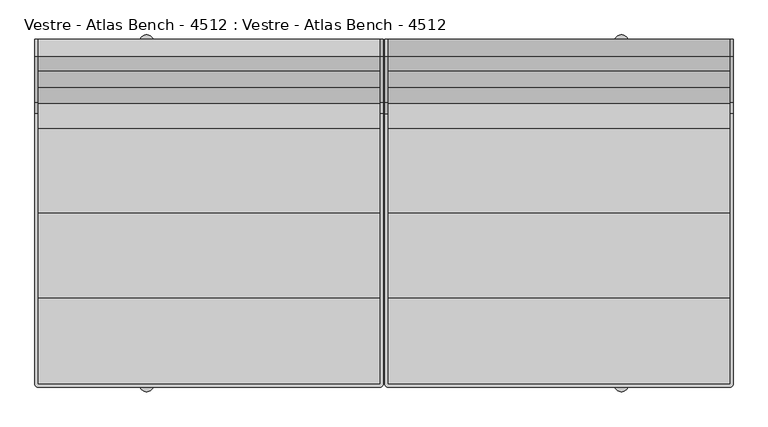
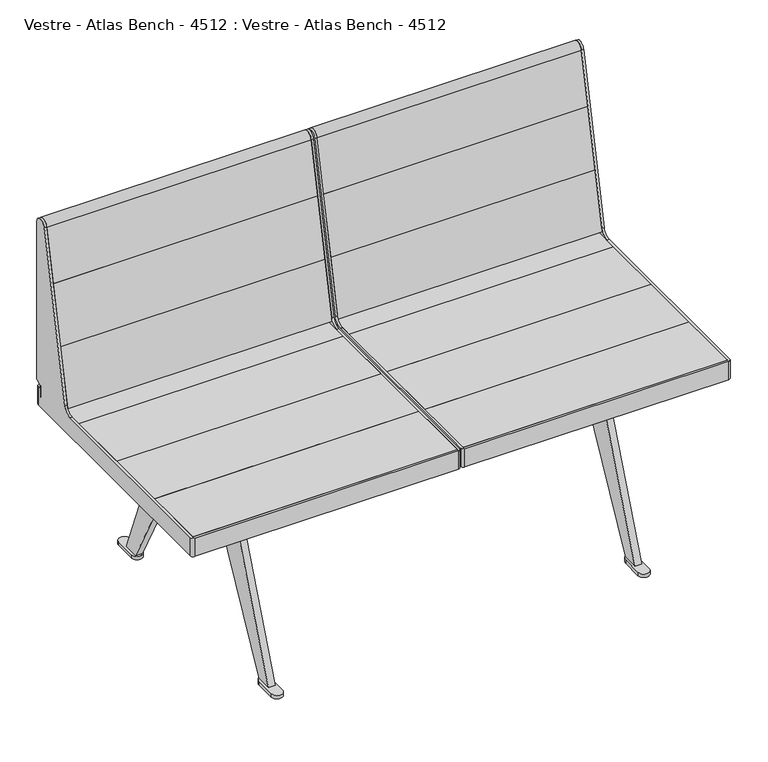
"""IFC4 building model written with IfcOpenShell, lengths in millimetres: furniture geometry, Vestre - Atlas Bench - 4512 : Vestre - Atlas Bench - 4512."""

from ifc_helpers import new_model, si_unit, point, frame, frame_2d, origin, origin_with_axes, place, context, project, spatial, polyline, circle_curve, trimmed, segment, composite_curve, outline, extrude, faceted_brep, source, transform, mapped, element, save
from ifc_brep_helpers import plane_surface, cylinder_surface, revolved_surface, advanced_brep


def vestre_atlas_bench_4512_vestre_atlas_bench_4512_23488d56(model_context):
    return source(origin(), model_context, "Body", "SolidModel", [
        advanced_brep(
        [(6.4996033, 300.0000023, 454.2874442), (6.4996033, 300.0000023, 823.6998603), (6.4996033, 270.3277883, 826.8185356), (6.4996033, 191.1979651, 454.541987), (6.4996033, 171.6350131, 438.7002208), (6.4996033, -294.0016577, 438.7002208), (6.4996033, -294.0016577, 395.7002292), (6.4996033, 294.0104801, 395.7002292), (6.4996033, 294.0104801, 438.7002208), (6.4996033, 289.8860908, 438.7002208), (6.4996033, 287.8917461, 446.1432162), (6.4996033, 299.001022, 452.5571596), (1.4999084, 300.0000023, 454.2874442), (1.4999084, 299.001022, 452.5571596), (1.4999084, 287.8917461, 446.1432162), (1.4999084, 289.8860908, 438.7002208), (1.4999084, 294.0000778, 438.7002208), (1.4999084, 294.000075, 395.7002292), (1.4999084, -294.000075, 395.7002292), (1.4999084, -294.000075, 438.7002208), (1.4999084, 171.6350131, 438.7002208), (1.4999084, 191.1979651, 454.541987), (1.4999084, 270.3277883, 826.8185356), (1.4999084, 300.0000023, 823.6998603), (7.4890673, 294.9999441, 438.7002208), (595.5088661, 294.9999441, 438.7002208), (596.4996368, 294.0091733, 438.7002208), (596.4996368, 289.8860908, 438.7002208), (601.4993317, 289.8860908, 438.7002208), (601.4993317, 294.000075, 438.7002208), (595.4993317, 300.000075, 438.7002208), (7.4999084, 300.000075, 438.7002208), (7.4999084, -300.000075, 438.7002208), (595.5361966, -300.000075, 438.7002208), (601.4993317, -294.0369399, 438.7002208), (601.4993317, 171.6350131, 438.7002208), (596.4996368, 171.6350131, 438.7002208), (596.4996368, -294.035874, 438.7002208), (595.5354213, -295.0000895, 438.7002208), (7.498035, -295.0000895, 438.7002208), (601.4993317, -294.0369399, 395.7002292), (595.5361966, -300.000075, 395.7002292), (7.4999084, -300.000075, 395.7002292), (7.4999084, 300.000075, 395.7002292), (595.4993317, 300.000075, 395.7002292), (601.4993317, 294.000075, 395.7002292), (596.4996368, -294.035874, 395.7002292), (596.4996368, 294.0091733, 395.7002292), (595.5088661, 294.9999441, 395.7002292), (7.4890673, 294.9999441, 395.7002292), (7.498035, -295.0000895, 395.7002292), (595.5354213, -295.0000895, 395.7002292), (596.4996368, 191.1979651, 454.541987), (596.4996368, 270.3277883, 826.8185356), (596.4996368, 300.0000023, 823.6998603), (596.4996368, 300.0000023, 454.2874442), (596.4996368, 299.001022, 452.5571596), (596.4996368, 287.8917461, 446.1432162), (601.4993317, 287.8917461, 446.1432162), (601.4993317, 299.001022, 452.5571596), (601.4993317, 300.0000023, 454.2874442), (601.4993317, 300.0000023, 823.6998603), (601.4993317, 270.3277883, 826.8185356), (601.4993317, 191.1979651, 454.541987)],
        [
            (0, 1),
            (1, 2, circle_curve(frame((6.4996033, 285.0000023, 823.6998603), z_axis=(1.0, 0.0, 0.0), x_axis=(0.0, -1.0, 0.0)), 15.0)),
            (2, 3),
            (3, 4, circle_curve(frame((6.4996033, 171.6350131, 458.7002208), z_axis=(-1.0, 0.0, 0.0), x_axis=(0.0, -1.0, 0.0)), 20.0)),
            (4, 5),
            (5, 6),
            (6, 7),
            (7, 8),
            (8, 9),
            (9, 10, circle_curve(frame((6.4996033, 289.8860908, 442.68891), z_axis=(-1.0, 0.0, 0.0), x_axis=(0.0, -1.0, 0.0)), 3.9886892)),
            (10, 11),
            (11, 0, circle_curve(frame((6.4996033, 298.0020417, 454.2874442), z_axis=(1.0, 0.0, 0.0), x_axis=(0.0, -1.0, 0.0)), 1.9979606)),
            (12, 13, circle_curve(frame((1.4999084, 298.0020417, 454.2874442), z_axis=(-1.0, 0.0, 0.0), x_axis=(0.0, -1.0, 0.0)), 1.9979606)),
            (13, 14),
            (14, 15, circle_curve(frame((1.4999084, 289.8860908, 442.68891), z_axis=(1.0, 0.0, 0.0), x_axis=(0.0, -1.0, 0.0)), 3.9886892)),
            (15, 16),
            (16, 17),
            (17, 18),
            (18, 19),
            (19, 20),
            (20, 21, circle_curve(frame((1.4999084, 171.6350131, 458.7002208), z_axis=(1.0, 0.0, 0.0), x_axis=(0.0, -1.0, 0.0)), 20.0)),
            (21, 22),
            (22, 23, circle_curve(frame((1.4999084, 285.0000023, 823.6998603), z_axis=(-1.0, 0.0, 0.0), x_axis=(0.0, -1.0, 0.0)), 15.0)),
            (23, 12),
            (0, 12),
            (23, 1),
            (22, 2),
            (21, 3),
            (20, 4),
            (8, 24, circle_curve(frame((7.4890673, 294.0104801, 438.7002208), z_axis=(0.0, 0.0, -1.0), x_axis=(-1.0, 0.0, 0.0)), 0.989464)),
            (24, 25),
            (25, 26, circle_curve(frame((595.5088661, 294.0091733, 438.7002208), z_axis=(0.0, 0.0, -1.0), x_axis=(-1.0, 0.0, 0.0)), 0.9907708)),
            (26, 27),
            (27, 28),
            (28, 29),
            (29, 30, circle_curve(frame((595.4993317, 294.000075, 438.7002208), z_axis=(0.0, 0.0, 1.0), x_axis=(-1.0, 0.0, 0.0)), 6.0)),
            (30, 31),
            (31, 16, circle_curve(frame((7.4999084, 294.000075, 438.7002208), z_axis=(0.0, 0.0, 1.0), x_axis=(-1.0, 0.0, 0.0)), 6.0)),
            (15, 9),
            (19, 32, circle_curve(frame((7.4999084, -294.000075, 438.7002208), z_axis=(0.0, 0.0, 1.0), x_axis=(-1.0, 0.0, 0.0)), 6.0)),
            (32, 33),
            (33, 34, circle_curve(frame((595.5361966, -294.0369399, 438.7002208), z_axis=(0.0, 0.0, 1.0), x_axis=(-1.0, 0.0, 0.0)), 5.9631351)),
            (34, 35),
            (35, 36),
            (36, 37),
            (37, 38, circle_curve(frame((595.5354213, -294.035874, 438.7002208), z_axis=(0.0, 0.0, -1.0), x_axis=(-1.0, 0.0, 0.0)), 0.9642155)),
            (38, 39),
            (39, 5, circle_curve(frame((7.498035, -294.0016577, 438.7002208), z_axis=(0.0, 0.0, -1.0), x_axis=(-1.0, 0.0, 0.0)), 0.9984317)),
            (14, 10),
            (13, 11),
            (40, 41, circle_curve(frame((595.5361966, -294.0369399, 395.7002292), z_axis=(0.0, 0.0, -1.0), x_axis=(-1.0, 0.0, 0.0)), 5.9631351)),
            (41, 42),
            (42, 18, circle_curve(frame((7.4999084, -294.000075, 395.7002292), z_axis=(0.0, 0.0, -1.0), x_axis=(-1.0, 0.0, 0.0)), 6.0)),
            (17, 43, circle_curve(frame((7.4999084, 294.000075, 395.7002292), z_axis=(0.0, 0.0, -1.0), x_axis=(-1.0, 0.0, 0.0)), 6.0)),
            (43, 44),
            (44, 45, circle_curve(frame((595.4993317, 294.000075, 395.7002292), z_axis=(0.0, 0.0, -1.0), x_axis=(-1.0, 0.0, 0.0)), 6.0)),
            (45, 40),
            (46, 47),
            (47, 48, circle_curve(frame((595.5088661, 294.0091733, 395.7002292), z_axis=(0.0, 0.0, 1.0), x_axis=(-1.0, 0.0, 0.0)), 0.9907708)),
            (48, 49),
            (49, 7, circle_curve(frame((7.4890673, 294.0104801, 395.7002292), z_axis=(0.0, 0.0, 1.0), x_axis=(-1.0, 0.0, 0.0)), 0.989464)),
            (6, 50, circle_curve(frame((7.498035, -294.0016577, 395.7002292), z_axis=(0.0, 0.0, 1.0), x_axis=(-1.0, 0.0, 0.0)), 0.9984317)),
            (50, 51),
            (51, 46, circle_curve(frame((595.5354213, -294.035874, 395.7002292), z_axis=(0.0, 0.0, 1.0), x_axis=(-1.0, 0.0, 0.0)), 0.9642155)),
            (46, 37),
            (36, 52, circle_curve(frame((596.4996368, 171.6350131, 458.7002208), z_axis=(1.0, 0.0, 0.0), x_axis=(0.0, -1.0, 0.0)), 20.0)),
            (52, 53),
            (53, 54, circle_curve(frame((596.4996368, 285.0000023, 823.6998603), z_axis=(-1.0, 0.0, 0.0), x_axis=(0.0, -1.0, 0.0)), 15.0)),
            (54, 55),
            (55, 56, circle_curve(frame((596.4996368, 298.0020417, 454.2874442), z_axis=(-1.0, 0.0, 0.0), x_axis=(0.0, -1.0, 0.0)), 1.9979606)),
            (56, 57),
            (57, 27, circle_curve(frame((596.4996368, 289.8860908, 442.68891), z_axis=(1.0, 0.0, 0.0), x_axis=(0.0, -1.0, 0.0)), 3.9886892)),
            (26, 47),
            (25, 48),
            (24, 49),
            (39, 50),
            (38, 51),
            (33, 41),
            (40, 34),
            (32, 42),
            (31, 43),
            (30, 44),
            (29, 45),
            (28, 58, circle_curve(frame((601.4993317, 289.8860908, 442.68891), z_axis=(-1.0, 0.0, 0.0), x_axis=(0.0, -1.0, 0.0)), 3.9886892)),
            (58, 59),
            (59, 60, circle_curve(frame((601.4993317, 298.0020417, 454.2874442), z_axis=(1.0, 0.0, 0.0), x_axis=(0.0, -1.0, 0.0)), 1.9979606)),
            (60, 61),
            (61, 62, circle_curve(frame((601.4993317, 285.0000023, 823.6998603), z_axis=(1.0, 0.0, 0.0), x_axis=(0.0, -1.0, 0.0)), 15.0)),
            (62, 63),
            (63, 35, circle_curve(frame((601.4993317, 171.6350131, 458.7002208), z_axis=(-1.0, 0.0, 0.0), x_axis=(0.0, -1.0, 0.0)), 20.0)),
            (54, 61),
            (60, 55),
            (53, 62),
            (52, 63),
            (57, 58),
            (56, 59),
        ],
        [
            plane_surface(frame((6.4996033, 300.0000023, 823.700013), z_axis=(1.0, 0.0, 0.0), x_axis=(0.0, 0.0, 1.0))),
            plane_surface(frame((1.4999084, 300.0000023, 823.700013), z_axis=(-1.0, 0.0, 0.0), x_axis=(0.0, 0.0, -1.0))),
            plane_surface(frame((6.4996033, 300.0000023, 454.2874442), z_axis=(0.0, 1.0, 0.0), x_axis=(-1.0, 0.0, 0.0))),
            cylinder_surface(frame((1.4999084, 285.0000023, 823.6998603), z_axis=(1.0, 0.0, 0.0), x_axis=(0.0, -1.0, 0.0)), 15.0),
            plane_surface(frame((6.4996033, 270.3277883, 826.8185356), z_axis=(0.0, -0.9781476007338054, 0.20791169081776104), x_axis=(-1.0, 0.0, 0.0))),
            revolved_surface(polyline([(1.4999084, 151.6350131, 458.7002208), (6.4996033, 151.6350131, 458.7002208)]), (1.4999084, 171.6350131, 458.7002208), (-1.0, 0.0, 0.0)),
            plane_surface(frame((6.4996033, 171.6350131, 438.7002208), z_axis=(0.0, 0.0, 1.0), x_axis=(-1.0, 0.0, 0.0))),
            revolved_surface(polyline([(1.4999084, 285.89740159999997, 442.68891), (6.4996033, 285.89740159999997, 442.68891)]), (1.4999084, 289.8860908, 442.68891), (-1.0, 0.0, 0.0)),
            plane_surface(frame((6.4996033, 287.8917461, 446.1432162), z_axis=(0.0, 0.5000000000000018, -0.8660254037844377), x_axis=(-1.0, 0.0, 0.0))),
            cylinder_surface(frame((1.4999084, 298.0020417, 454.2874442), z_axis=(1.0, 0.0, 0.0), x_axis=(0.0, -1.0, 0.0)), 1.9979606),
            plane_surface(frame((594.5712059, -294.035874, 395.7002292), z_axis=(0.0, 0.0, -1.0), x_axis=(0.0, -1.0, 0.0))),
            plane_surface(frame((596.4996368, 294.0091733, 438.7002208), z_axis=(-1.0, 0.0, 0.0), x_axis=(0.0, 0.0, -1.0))),
            revolved_surface(polyline([(594.5180953, 294.0091733, 395.7002292), (594.5180953, 294.0091733, 438.7002208)]), (595.5088661, 294.0091733, 395.7002292), (0.0, 0.0, -1.0)),
            plane_surface(frame((7.4890673, 294.9999441, 438.7002208), z_axis=(0.0, -1.0, 0.0), x_axis=(0.0, 0.0, -1.0))),
            revolved_surface(polyline([(6.4996033, 294.0104801, 395.7002292), (6.4996033, 294.0104801, 438.7002208)]), (7.4890673, 294.0104801, 395.7002292), (0.0, 0.0, -1.0)),
            revolved_surface(polyline([(6.4996032999999995, -294.0016577, 395.7002292), (6.4996032999999995, -294.0016577, 438.7002208)]), (7.498035, -294.0016577, 395.7002292), (0.0, 0.0, -1.0)),
            plane_surface(frame((595.5354213, -295.0000895, 438.7002208), z_axis=(0.0, 1.0, 0.0), x_axis=(0.0, 0.0, -1.0))),
            revolved_surface(polyline([(594.5712058, -294.035874, 395.7002292), (594.5712058, -294.035874, 438.7002208)]), (595.5354213, -294.035874, 395.7002292), (0.0, 0.0, -1.0)),
            cylinder_surface(frame((595.5361966, -294.0369399, 395.7002292), z_axis=(0.0, 0.0, 1.0), x_axis=(-1.0, 0.0, 0.0)), 5.9631351),
            plane_surface(frame((7.4999084, -300.000075, 438.7002208), z_axis=(0.0, -1.0, 0.0), x_axis=(0.0, 0.0, -1.0))),
            cylinder_surface(frame((7.4999084, -294.000075, 395.7002292), z_axis=(0.0, 0.0, 1.0), x_axis=(-1.0, 0.0, 0.0)), 6.0),
            cylinder_surface(frame((7.4999084, 294.000075, 395.7002292), z_axis=(0.0, 0.0, 1.0), x_axis=(-1.0, 0.0, 0.0)), 6.0),
            plane_surface(frame((595.4993317, 300.000075, 438.7002208), z_axis=(0.0, 1.0, 0.0), x_axis=(0.0, 0.0, -1.0))),
            cylinder_surface(frame((595.4993317, 294.000075, 395.7002292), z_axis=(0.0, 0.0, 1.0), x_axis=(-1.0, 0.0, 0.0)), 6.0),
            plane_surface(frame((601.4993317, -294.0369399, 438.7002208), z_axis=(1.0, 0.0, 0.0), x_axis=(0.0, 0.0, -1.0))),
            plane_surface(frame((596.4996368, 300.0000023, 823.6998603), z_axis=(0.0, 1.0, 0.0), x_axis=(1.0, 0.0, 0.0))),
            cylinder_surface(frame((601.4993317, 285.0000023, 823.6998603), z_axis=(-1.0, 0.0, 0.0), x_axis=(0.0, -1.0, 0.0)), 15.0),
            plane_surface(frame((596.4996368, 191.1979651, 454.541987), z_axis=(0.0, -0.9781476007338054, 0.20791169081776104), x_axis=(1.0, 0.0, 0.0))),
            revolved_surface(polyline([(601.4993317, 151.6350131, 458.7002208), (596.4996368, 151.6350131, 458.7002208)]), (601.4993317, 171.6350131, 458.7002208), (1.0, 0.0, 0.0)),
            revolved_surface(polyline([(601.4993317, 285.89740159999997, 442.68891), (596.4996368, 285.89740159999997, 442.68891)]), (601.4993317, 289.8860908, 442.68891), (1.0, 0.0, 0.0)),
            plane_surface(frame((596.4996368, 299.001022, 452.5571596), z_axis=(0.0, 0.5000000000000018, -0.8660254037844377), x_axis=(1.0, 0.0, 0.0))),
            cylinder_surface(frame((601.4993317, 298.0020417, 454.2874442), z_axis=(-1.0, 0.0, 0.0), x_axis=(0.0, -1.0, 0.0)), 1.9979606),
        ],
        [
            (0, [[1, 2, 3, 4, 5, 6, 7, 8, 9, 10, 11, 12]]),
            (1, [[13, 14, 15, 16, 17, 18, 19, 20, 21, 22, 23, 24]]),
            (2, [[-1, 25, -24, 26]]),
            (3, [[-2, -26, -23, 27]]),
            (4, [[-3, -27, -22, 28]]),
            (5, [[-4, -28, -21, 29]]),
            (6, [[-9, 30, 31, 32, 33, 34, 35, 36, 37, 38, -16, 39]]),
            (6, [[-29, -20, 40, 41, 42, 43, 44, 45, 46, 47, 48, -5]]),
            (7, [[-10, -39, -15, 49]]),
            (8, [[-11, -49, -14, 50]]),
            (9, [[-12, -50, -13, -25]]),
            (10, [[51, 52, 53, -18, 54, 55, 56, 57], [58, 59, 60, 61, -7, 62, 63, 64]]),
            (11, [[-58, 65, -45, 66, 67, 68, 69, 70, 71, 72, -33, 73]]),
            (12, [[-73, -32, 74, -59]]),
            (13, [[-31, 75, -60, -74]]),
            (14, [[-30, -8, -61, -75]]),
            (15, [[-48, 76, -62, -6]]),
            (16, [[-47, 77, -63, -76]]),
            (17, [[-46, -65, -64, -77]]),
            (18, [[-42, 78, -51, 79]]),
            (19, [[-41, 80, -52, -78]]),
            (20, [[-40, -19, -53, -80]]),
            (21, [[-38, 81, -54, -17]]),
            (22, [[-37, 82, -55, -81]]),
            (23, [[-36, 83, -56, -82]]),
            (24, [[-57, -83, -35, 84, 85, 86, 87, 88, 89, 90, -43, -79]]),
            (25, [[-69, 91, -87, 92]]),
            (26, [[-68, 93, -88, -91]]),
            (27, [[-67, 94, -89, -93]]),
            (28, [[-66, -44, -90, -94]]),
            (29, [[-72, 95, -84, -34]]),
            (30, [[-71, 96, -85, -95]]),
            (31, [[-70, -92, -86, -96]]),
        ],
    ),
        advanced_brep(
        [(-596.4996368, 294.0091733, 438.7002208), (-595.5088661, 294.9999441, 438.7002208), (-7.4890673, 294.9999441, 438.7002208), (-6.4996033, 294.0104801, 438.7002208), (-6.4996033, 289.8860908, 438.7002208), (-1.4999084, 289.8860908, 438.7002208), (-1.4999084, 294.000075, 438.7002208), (-7.4999084, 300.000075, 438.7002208), (-595.4993317, 300.000075, 438.7002208), (-601.4993317, 294.000075, 438.7002208), (-601.4993317, 289.8860908, 438.7002208), (-596.4996368, 289.8860908, 438.7002208), (-6.4996033, 171.6350131, 438.7002208), (-6.4996033, -294.0016577, 438.7002208), (-7.498035, -295.0000895, 438.7002208), (-595.5354213, -295.0000895, 438.7002208), (-596.4996368, -294.035874, 438.7002208), (-596.4996368, 171.6350131, 438.7002208), (-601.4993317, 171.6350131, 438.7002208), (-601.4993317, -294.0369399, 438.7002208), (-595.5361966, -300.000075, 438.7002208), (-7.4999084, -300.000075, 438.7002208), (-1.4999084, -294.000075, 438.7002208), (-1.4999084, 171.6350131, 438.7002208), (-601.4993317, -294.0369399, 395.7002292), (-601.4993317, 294.000075, 395.7002292), (-595.4993317, 300.000075, 395.7002292), (-7.4999084, 300.000075, 395.7002292), (-1.4999084, 294.000075, 395.7002292), (-1.4999084, -294.000075, 395.7002292), (-7.4999084, -300.000075, 395.7002292), (-595.5361966, -300.000075, 395.7002292), (-596.4996368, -294.035874, 395.7002292), (-595.5354213, -295.0000895, 395.7002292), (-7.498035, -295.0000895, 395.7002292), (-6.4996033, -294.0016577, 395.7002292), (-6.4996033, 294.0104801, 395.7002292), (-7.4890673, 294.9999441, 395.7002292), (-595.5088661, 294.9999441, 395.7002292), (-596.4996368, 294.0091733, 395.7002292), (-596.4996368, 287.8917461, 446.1432162), (-596.4996368, 299.001022, 452.5571596), (-596.4996368, 300.0000023, 454.2874442), (-596.4996368, 300.0000023, 823.6998603), (-596.4996368, 270.3277883, 826.8185356), (-596.4996368, 191.1979651, 454.541987), (-6.4996033, 191.1979651, 454.541987), (-6.4996033, 270.3277883, 826.8185356), (-6.4996033, 300.0000023, 823.6998603), (-6.4996033, 300.0000023, 454.2874442), (-6.4996033, 299.001022, 452.5571596), (-6.4996033, 287.8917461, 446.1432162), (-1.4999084, 287.8917461, 446.1432162), (-1.4999084, 299.001022, 452.5571596), (-1.4999084, 300.0000023, 454.2874442), (-1.4999084, 300.0000023, 823.6998603), (-1.4999084, 270.3277883, 826.8185356), (-1.4999084, 191.1979651, 454.541987), (-601.4993317, 191.1979651, 454.541987), (-601.4993317, 270.3277883, 826.8185356), (-601.4993317, 300.0000023, 823.6998603), (-601.4993317, 300.0000023, 454.2874442), (-601.4993317, 299.001022, 452.5571596), (-601.4993317, 287.8917461, 446.1432162)],
        [
            (0, 1, circle_curve(frame((-595.5088661, 294.0091733, 438.7002208), z_axis=(0.0, 0.0, -1.0), x_axis=(1.0, 0.0, 0.0)), 0.9907708)),
            (1, 2),
            (2, 3, circle_curve(frame((-7.4890673, 294.0104801, 438.7002208), z_axis=(0.0, 0.0, -1.0), x_axis=(1.0, 0.0, 0.0)), 0.989464)),
            (3, 4),
            (4, 5),
            (5, 6),
            (6, 7, circle_curve(frame((-7.4999084, 294.000075, 438.7002208), z_axis=(0.0, 0.0, 1.0), x_axis=(1.0, 0.0, 0.0)), 6.0)),
            (7, 8),
            (8, 9, circle_curve(frame((-595.4993317, 294.000075, 438.7002208), z_axis=(0.0, 0.0, 1.0), x_axis=(1.0, 0.0, 0.0)), 6.0)),
            (9, 10),
            (10, 11),
            (11, 0),
            (12, 13),
            (13, 14, circle_curve(frame((-7.498035, -294.0016577, 438.7002208), z_axis=(0.0, 0.0, -1.0), x_axis=(1.0, 0.0, 0.0)), 0.9984317)),
            (14, 15),
            (15, 16, circle_curve(frame((-595.5354213, -294.035874, 438.7002208), z_axis=(0.0, 0.0, -1.0), x_axis=(1.0, 0.0, 0.0)), 0.9642155)),
            (16, 17),
            (17, 18),
            (18, 19),
            (19, 20, circle_curve(frame((-595.5361966, -294.0369399, 438.7002208), z_axis=(0.0, 0.0, 1.0), x_axis=(1.0, 0.0, 0.0)), 5.9631351)),
            (20, 21),
            (21, 22, circle_curve(frame((-7.4999084, -294.000075, 438.7002208), z_axis=(0.0, 0.0, 1.0), x_axis=(1.0, 0.0, 0.0)), 6.0)),
            (22, 23),
            (23, 12),
            (24, 25),
            (25, 26, circle_curve(frame((-595.4993317, 294.000075, 395.7002292), z_axis=(0.0, 0.0, -1.0), x_axis=(1.0, 0.0, 0.0)), 6.0)),
            (26, 27),
            (27, 28, circle_curve(frame((-7.4999084, 294.000075, 395.7002292), z_axis=(0.0, 0.0, -1.0), x_axis=(1.0, 0.0, 0.0)), 6.0)),
            (28, 29),
            (29, 30, circle_curve(frame((-7.4999084, -294.000075, 395.7002292), z_axis=(0.0, 0.0, -1.0), x_axis=(1.0, 0.0, 0.0)), 6.0)),
            (30, 31),
            (31, 24, circle_curve(frame((-595.5361966, -294.0369399, 395.7002292), z_axis=(0.0, 0.0, -1.0), x_axis=(1.0, 0.0, 0.0)), 5.9631351)),
            (32, 33, circle_curve(frame((-595.5354213, -294.035874, 395.7002292), z_axis=(0.0, 0.0, 1.0), x_axis=(1.0, 0.0, 0.0)), 0.9642155)),
            (33, 34),
            (34, 35, circle_curve(frame((-7.498035, -294.0016577, 395.7002292), z_axis=(0.0, 0.0, 1.0), x_axis=(1.0, 0.0, 0.0)), 0.9984317)),
            (35, 36),
            (36, 37, circle_curve(frame((-7.4890673, 294.0104801, 395.7002292), z_axis=(0.0, 0.0, 1.0), x_axis=(1.0, 0.0, 0.0)), 0.989464)),
            (37, 38),
            (38, 39, circle_curve(frame((-595.5088661, 294.0091733, 395.7002292), z_axis=(0.0, 0.0, 1.0), x_axis=(1.0, 0.0, 0.0)), 0.9907708)),
            (39, 32),
            (39, 0),
            (11, 40, circle_curve(frame((-596.4996368, 289.8860908, 442.68891), z_axis=(-1.0, 0.0, 0.0), x_axis=(0.0, -1.0, 0.0)), 3.9886892)),
            (40, 41),
            (41, 42, circle_curve(frame((-596.4996368, 298.0020417, 454.2874442), z_axis=(1.0, 0.0, 0.0), x_axis=(0.0, -1.0, 0.0)), 1.9979606)),
            (42, 43),
            (43, 44, circle_curve(frame((-596.4996368, 285.0000023, 823.6998603), z_axis=(1.0, 0.0, 0.0), x_axis=(0.0, -1.0, 0.0)), 15.0)),
            (44, 45),
            (45, 17, circle_curve(frame((-596.4996368, 171.6350131, 458.7002208), z_axis=(-1.0, 0.0, 0.0), x_axis=(0.0, -1.0, 0.0)), 20.0)),
            (16, 32),
            (38, 1),
            (37, 2),
            (36, 3),
            (35, 13),
            (12, 46, circle_curve(frame((-6.4996033, 171.6350131, 458.7002208), z_axis=(1.0, 0.0, 0.0), x_axis=(0.0, -1.0, 0.0)), 20.0)),
            (46, 47),
            (47, 48, circle_curve(frame((-6.4996033, 285.0000023, 823.6998603), z_axis=(-1.0, 0.0, 0.0), x_axis=(0.0, -1.0, 0.0)), 15.0)),
            (48, 49),
            (49, 50, circle_curve(frame((-6.4996033, 298.0020417, 454.2874442), z_axis=(-1.0, 0.0, 0.0), x_axis=(0.0, -1.0, 0.0)), 1.9979606)),
            (50, 51),
            (51, 4, circle_curve(frame((-6.4996033, 289.8860908, 442.68891), z_axis=(1.0, 0.0, 0.0), x_axis=(0.0, -1.0, 0.0)), 3.9886892)),
            (34, 14),
            (33, 15),
            (19, 24),
            (31, 20),
            (30, 21),
            (29, 22),
            (28, 6),
            (5, 52, circle_curve(frame((-1.4999084, 289.8860908, 442.68891), z_axis=(-1.0, 0.0, 0.0), x_axis=(0.0, -1.0, 0.0)), 3.9886892)),
            (52, 53),
            (53, 54, circle_curve(frame((-1.4999084, 298.0020417, 454.2874442), z_axis=(1.0, 0.0, 0.0), x_axis=(0.0, -1.0, 0.0)), 1.9979606)),
            (54, 55),
            (55, 56, circle_curve(frame((-1.4999084, 285.0000023, 823.6998603), z_axis=(1.0, 0.0, 0.0), x_axis=(0.0, -1.0, 0.0)), 15.0)),
            (56, 57),
            (57, 23, circle_curve(frame((-1.4999084, 171.6350131, 458.7002208), z_axis=(-1.0, 0.0, 0.0), x_axis=(0.0, -1.0, 0.0)), 20.0)),
            (27, 7),
            (26, 8),
            (25, 9),
            (18, 58, circle_curve(frame((-601.4993317, 171.6350131, 458.7002208), z_axis=(1.0, 0.0, 0.0), x_axis=(0.0, -1.0, 0.0)), 20.0)),
            (58, 59),
            (59, 60, circle_curve(frame((-601.4993317, 285.0000023, 823.6998603), z_axis=(-1.0, 0.0, 0.0), x_axis=(0.0, -1.0, 0.0)), 15.0)),
            (60, 61),
            (61, 62, circle_curve(frame((-601.4993317, 298.0020417, 454.2874442), z_axis=(-1.0, 0.0, 0.0), x_axis=(0.0, -1.0, 0.0)), 1.9979606)),
            (62, 63),
            (63, 10, circle_curve(frame((-601.4993317, 289.8860908, 442.68891), z_axis=(1.0, 0.0, 0.0), x_axis=(0.0, -1.0, 0.0)), 3.9886892)),
            (42, 61),
            (60, 43),
            (59, 44),
            (58, 45),
            (63, 40),
            (62, 41),
            (48, 55),
            (54, 49),
            (47, 56),
            (46, 57),
            (51, 52),
            (50, 53),
        ],
        [
            plane_surface(frame((-596.4996368, 294.0000051, 438.7002208), z_axis=(0.0, 0.0, 1.0), x_axis=(0.0, 1.0, 0.0))),
            plane_surface(frame((-596.4996368, 294.0000051, 395.7002292), z_axis=(0.0, 0.0, -1.0), x_axis=(0.0, -1.0, 0.0))),
            plane_surface(frame((-596.4996368, -294.035874, 438.7002208), z_axis=(1.0, 0.0, 0.0), x_axis=(0.0, 0.0, -1.0))),
            revolved_surface(polyline([(-594.5180953, 294.0091733, 395.7002292), (-594.5180953, 294.0091733, 438.7002208)]), (-595.5088661, 294.0091733, 395.7002292), (0.0, 0.0, -1.0)),
            plane_surface(frame((-595.5088661, 294.9999441, 438.7002208), z_axis=(0.0, -1.0, 0.0), x_axis=(0.0, 0.0, -1.0))),
            revolved_surface(polyline([(-6.4996033, 294.0104801, 395.7002292), (-6.4996033, 294.0104801, 438.7002208)]), (-7.4890673, 294.0104801, 395.7002292), (0.0, 0.0, -1.0)),
            plane_surface(frame((-6.4996033, 294.0104801, 438.7002208), z_axis=(-1.0, 0.0, 0.0), x_axis=(0.0, 0.0, -1.0))),
            revolved_surface(polyline([(-6.4996032999999995, -294.0016577, 395.7002292), (-6.4996032999999995, -294.0016577, 438.7002208)]), (-7.498035, -294.0016577, 395.7002292), (0.0, 0.0, -1.0)),
            plane_surface(frame((-7.498035, -295.0000895, 438.7002208), z_axis=(0.0, 1.0, 0.0), x_axis=(0.0, 0.0, -1.0))),
            revolved_surface(polyline([(-594.5712058, -294.035874, 395.7002292), (-594.5712058, -294.035874, 438.7002208)]), (-595.5354213, -294.035874, 395.7002292), (0.0, 0.0, -1.0)),
            cylinder_surface(frame((-595.5361966, -294.0369399, 395.7002292), z_axis=(0.0, 0.0, 1.0), x_axis=(1.0, 0.0, 0.0)), 5.9631351),
            plane_surface(frame((-595.5361966, -300.000075, 438.7002208), z_axis=(0.0, -1.0, 0.0), x_axis=(0.0, 0.0, -1.0))),
            cylinder_surface(frame((-7.4999084, -294.000075, 395.7002292), z_axis=(0.0, 0.0, 1.0), x_axis=(1.0, 0.0, 0.0)), 6.0),
            plane_surface(frame((-1.4999084, -294.000075, 438.7002208), z_axis=(1.0, 0.0, 0.0), x_axis=(0.0, 0.0, -1.0))),
            cylinder_surface(frame((-7.4999084, 294.000075, 395.7002292), z_axis=(0.0, 0.0, 1.0), x_axis=(1.0, 0.0, 0.0)), 6.0),
            plane_surface(frame((-7.4999084, 300.000075, 438.7002208), z_axis=(0.0, 1.0, 0.0), x_axis=(0.0, 0.0, -1.0))),
            cylinder_surface(frame((-595.4993317, 294.000075, 395.7002292), z_axis=(0.0, 0.0, 1.0), x_axis=(1.0, 0.0, 0.0)), 6.0),
            plane_surface(frame((-601.4993317, 294.000075, 438.7002208), z_axis=(-1.0, 0.0, 0.0), x_axis=(0.0, 0.0, -1.0))),
            plane_surface(frame((-596.4996368, 300.0000023, 454.2874442), z_axis=(0.0, 1.0, 0.0), x_axis=(-1.0, 0.0, 0.0))),
            cylinder_surface(frame((-601.4993317, 285.0000023, 823.6998603), z_axis=(1.0, 0.0, 0.0), x_axis=(0.0, -1.0, 0.0)), 15.0),
            plane_surface(frame((-596.4996368, 270.3277883, 826.8185356), z_axis=(0.0, -0.9781476007338054, 0.20791169081776104), x_axis=(-1.0, 0.0, 0.0))),
            revolved_surface(polyline([(-601.4993317, 151.6350131, 458.7002208), (-596.4996368, 151.6350131, 458.7002208)]), (-601.4993317, 171.6350131, 458.7002208), (-1.0, 0.0, 0.0)),
            revolved_surface(polyline([(-601.4993317, 285.89740159999997, 442.68891), (-596.4996368, 285.89740159999997, 442.68891)]), (-601.4993317, 289.8860908, 442.68891), (-1.0, 0.0, 0.0)),
            plane_surface(frame((-596.4996368, 287.8917461, 446.1432162), z_axis=(0.0, 0.5000000000000018, -0.8660254037844377), x_axis=(-1.0, 0.0, 0.0))),
            cylinder_surface(frame((-601.4993317, 298.0020417, 454.2874442), z_axis=(1.0, 0.0, 0.0), x_axis=(0.0, -1.0, 0.0)), 1.9979606),
            plane_surface(frame((-6.4996033, 300.0000023, 823.6998603), z_axis=(0.0, 1.0, 0.0), x_axis=(1.0, 0.0, 0.0))),
            cylinder_surface(frame((-1.4999084, 285.0000023, 823.6998603), z_axis=(-1.0, 0.0, 0.0), x_axis=(0.0, -1.0, 0.0)), 15.0),
            plane_surface(frame((-6.4996033, 191.1979651, 454.541987), z_axis=(0.0, -0.9781476007338054, 0.20791169081776104), x_axis=(1.0, 0.0, 0.0))),
            revolved_surface(polyline([(-1.4999084, 151.6350131, 458.7002208), (-6.4996033, 151.6350131, 458.7002208)]), (-1.4999084, 171.6350131, 458.7002208), (1.0, 0.0, 0.0)),
            revolved_surface(polyline([(-1.4999084, 285.89740159999997, 442.68891), (-6.4996033, 285.89740159999997, 442.68891)]), (-1.4999084, 289.8860908, 442.68891), (1.0, 0.0, 0.0)),
            plane_surface(frame((-6.4996033, 299.001022, 452.5571596), z_axis=(0.0, 0.5000000000000018, -0.8660254037844377), x_axis=(1.0, 0.0, 0.0))),
            cylinder_surface(frame((-1.4999084, 298.0020417, 454.2874442), z_axis=(-1.0, 0.0, 0.0), x_axis=(0.0, -1.0, 0.0)), 1.9979606),
        ],
        [
            (0, [[1, 2, 3, 4, 5, 6, 7, 8, 9, 10, 11, 12]]),
            (0, [[13, 14, 15, 16, 17, 18, 19, 20, 21, 22, 23, 24]]),
            (1, [[25, 26, 27, 28, 29, 30, 31, 32], [33, 34, 35, 36, 37, 38, 39, 40]]),
            (2, [[-40, 41, -12, 42, 43, 44, 45, 46, 47, 48, -17, 49]]),
            (3, [[-1, -41, -39, 50]]),
            (4, [[-2, -50, -38, 51]]),
            (5, [[52, -3, -51, -37]]),
            (6, [[-36, 53, -13, 54, 55, 56, 57, 58, 59, 60, -4, -52]]),
            (7, [[-14, -53, -35, 61]]),
            (8, [[-15, -61, -34, 62]]),
            (9, [[-16, -62, -33, -49]]),
            (10, [[-20, 63, -32, 64]]),
            (11, [[-21, -64, -31, 65]]),
            (12, [[-22, -65, -30, 66]]),
            (13, [[-29, 67, -6, 68, 69, 70, 71, 72, 73, 74, -23, -66]]),
            (14, [[-7, -67, -28, 75]]),
            (15, [[-8, -75, -27, 76]]),
            (16, [[-9, -76, -26, 77]]),
            (17, [[-25, -63, -19, 78, 79, 80, 81, 82, 83, 84, -10, -77]]),
            (18, [[-45, 85, -81, 86]]),
            (19, [[-46, -86, -80, 87]]),
            (20, [[-47, -87, -79, 88]]),
            (21, [[-48, -88, -78, -18]]),
            (22, [[-42, -11, -84, 89]]),
            (23, [[-43, -89, -83, 90]]),
            (24, [[-44, -90, -82, -85]]),
            (25, [[-57, 91, -71, 92]]),
            (26, [[-56, 93, -72, -91]]),
            (27, [[-55, 94, -73, -93]]),
            (28, [[-54, -24, -74, -94]]),
            (29, [[-60, 95, -68, -5]]),
            (30, [[-59, 96, -69, -95]]),
            (31, [[-58, -92, -70, -96]]),
        ],
    ),
        extrude(outline(composite_curve([segment(polyline([(245.3272667, 709.2003291), (270.3277883, 826.8185356)]), True, "CONTINUOUS"), segment(trimmed(circle_curve(frame_2d((285.0000023, 823.6998603)), 15.0), [point((270.3277883, 826.8185356))], [point((300.0000023, 823.6998603))], False, "CARTESIAN"), True, "CONTINUOUS"), segment(polyline([(300.0000023, 823.6998603), (300.0000023, 709.2003291), (245.3272667, 709.2003291)]), True, "CONTINUOUS")], self_intersect=False)), frame((6.4996033, 0.0, 0.0), z_axis=(1.0, 0.0, 0.0), x_axis=(0.0, 1.0, 0.0)), (0.0, 0.0, 1.0), 590.0000336),
        extrude(outline(polyline([(217.1635184, 576.7003109), (245.3272667, 709.2003291), (300.0000023, 709.2003291), (300.0000023, 576.7003109), (217.1635184, 576.7003109)])), frame((6.4996033, 0.0, 0.0), z_axis=(1.0, 0.0, 0.0), x_axis=(0.0, 1.0, 0.0)), (0.0, 0.0, 1.0), 590.0000336),
        extrude(outline(polyline([(6.4996033, -146.0000273), (6.4996033, 0.0), (596.4996368, 0.0), (596.4996368, -146.0000273), (6.4996033, -146.0000273)])), frame((0.0, 0.0, 410.700222), z_axis=(0.0, 0.0, 1.0), x_axis=(1.0, 0.0, 0.0)), (0.0, 0.0, 1.0), 27.9999988),
        extrude(outline(polyline([(6.4996033, 146.0000273), (596.4996368, 146.0000273), (596.4996368, 0.0), (6.4996033, 0.0), (6.4996033, 146.0000273)])), frame((0.0, 0.0, 410.700222), z_axis=(0.0, 0.0, 1.0), x_axis=(1.0, 0.0, 0.0)), (0.0, 0.0, 1.0), 27.9999988),
        extrude(outline(composite_curve([segment(trimmed(circle_curve(frame_2d((595.5088661, 294.0091733)), 0.9907708), [point((595.5088661, 294.9999441))], [point((596.4996368, 294.0091733))], False, "CARTESIAN"), True, "CONTINUOUS"), segment(polyline([(596.4996368, 294.0091733), (596.4996368, 146.0000273), (6.4996033, 146.0000273), (6.4996033, 294.0104801)]), True, "CONTINUOUS"), segment(trimmed(circle_curve(frame_2d((7.4890673, 294.0104801)), 0.989464), [point((6.4996033, 294.0104801))], [point((7.4890673, 294.9999441))], False, "CARTESIAN"), True, "CONTINUOUS"), segment(polyline([(7.4890673, 294.9999441), (595.5088661, 294.9999441)]), True, "CONTINUOUS")], self_intersect=False)), frame((0.0, 0.0, 410.700222), z_axis=(0.0, 0.0, 1.0), x_axis=(1.0, 0.0, 0.0)), (0.0, 0.0, 1.0), 27.9999988),
        extrude(outline(composite_curve([segment(polyline([(595.5354213, -295.0000895), (7.498035, -295.0000895)]), True, "CONTINUOUS"), segment(trimmed(circle_curve(frame_2d((7.498035, -294.0016577)), 0.9984317), [point((7.498035, -295.0000895))], [point((6.4996033, -294.0016577))], False, "CARTESIAN"), True, "CONTINUOUS"), segment(polyline([(6.4996033, -294.0016577), (6.4996033, -146.0000273), (596.4996368, -146.0000273), (596.4996368, -294.035874)]), True, "CONTINUOUS"), segment(trimmed(circle_curve(frame_2d((595.5354213, -294.035874)), 0.9642155), [point((596.4996368, -294.035874))], [point((595.5354213, -295.0000895))], False, "CARTESIAN"), True, "CONTINUOUS")], self_intersect=False)), frame((0.0, 0.0, 410.700222), z_axis=(0.0, 0.0, 1.0), x_axis=(1.0, 0.0, 0.0)), (0.0, 0.0, 1.0), 27.9999988),
        extrude(outline(polyline([(266.5000122, -34.9999712), (266.5000122, 34.9999712), (336.4992279, 34.9999712), (336.4992279, -34.9999712), (266.5000122, -34.9999712)])), frame((0.0, 0.0, 370.8502198), z_axis=(0.0, 0.0, 1.0), x_axis=(1.0, 0.0, 0.0)), (0.0, 0.0, 1.0), 39.8500022),
        extrude(outline(polyline([(217.1636487, 576.7003109), (299.9998569, 576.7003109), (299.9998569, 447.2002107), (189.6375526, 447.2002107), (217.1636487, 576.7003109)])), frame((6.4996033, 0.0, 0.0), z_axis=(1.0, 0.0, 0.0), x_axis=(0.0, 1.0, 0.0)), (0.0, 0.0, 1.0), 590.0000336),
        extrude(outline(composite_curve([segment(polyline([(245.3272667, 709.2003291), (270.3277883, 826.8185356)]), True, "CONTINUOUS"), segment(trimmed(circle_curve(frame_2d((285.0000023, 823.6998603)), 15.0), [point((270.3277883, 826.8185356))], [point((300.0000023, 823.6998603))], False, "CARTESIAN"), True, "CONTINUOUS"), segment(polyline([(300.0000023, 823.6998603), (300.0000023, 709.2003291), (245.3272667, 709.2003291)]), True, "CONTINUOUS")], self_intersect=False)), frame((-596.4996368, 0.0, 0.0), z_axis=(1.0, 0.0, 0.0), x_axis=(0.0, 1.0, 0.0)), (0.0, 0.0, 1.0), 590.0000336),
        extrude(outline(polyline([(217.1635184, 576.7003109), (245.3272667, 709.2003291), (300.0000023, 709.2003291), (300.0000023, 576.7003109), (217.1635184, 576.7003109)])), frame((-596.4996368, 0.0, 0.0), z_axis=(1.0, 0.0, 0.0), x_axis=(0.0, 1.0, 0.0)), (0.0, 0.0, 1.0), 590.0000336),
        extrude(outline(polyline([(-6.4996033, -146.0000273), (-596.4996368, -146.0000273), (-596.4996368, 0.0), (-6.4996033, 0.0), (-6.4996033, -146.0000273)])), frame((0.0, 0.0, 410.700222), z_axis=(0.0, 0.0, 1.0), x_axis=(1.0, 0.0, 0.0)), (0.0, 0.0, 1.0), 27.9999988),
        extrude(outline(polyline([(-6.4996033, 146.0000273), (-6.4996033, 0.0), (-596.4996368, 0.0), (-596.4996368, 146.0000273), (-6.4996033, 146.0000273)])), frame((0.0, 0.0, 410.700222), z_axis=(0.0, 0.0, 1.0), x_axis=(1.0, 0.0, 0.0)), (0.0, 0.0, 1.0), 27.9999988),
        extrude(outline(composite_curve([segment(polyline([(-595.5088661, 294.9999441), (-7.4890673, 294.9999441)]), True, "CONTINUOUS"), segment(trimmed(circle_curve(frame_2d((-7.4890673, 294.0104801)), 0.989464), [point((-7.4890673, 294.9999441))], [point((-6.4996033, 294.0104801))], False, "CARTESIAN"), True, "CONTINUOUS"), segment(polyline([(-6.4996033, 294.0104801), (-6.4996033, 146.0000273), (-596.4996368, 146.0000273), (-596.4996368, 294.0091733)]), True, "CONTINUOUS"), segment(trimmed(circle_curve(frame_2d((-595.5088661, 294.0091733)), 0.9907708), [point((-596.4996368, 294.0091733))], [point((-595.5088661, 294.9999441))], False, "CARTESIAN"), True, "CONTINUOUS")], self_intersect=False)), frame((0.0, 0.0, 410.700222), z_axis=(0.0, 0.0, 1.0), x_axis=(1.0, 0.0, 0.0)), (0.0, 0.0, 1.0), 27.9999988),
        extrude(outline(composite_curve([segment(trimmed(circle_curve(frame_2d((-595.5354213, -294.035874)), 0.9642155), [point((-595.5354213, -295.0000895))], [point((-596.4996368, -294.035874))], False, "CARTESIAN"), True, "CONTINUOUS"), segment(polyline([(-596.4996368, -294.035874), (-596.4996368, -146.0000273), (-6.4996033, -146.0000273), (-6.4996033, -294.0016577)]), True, "CONTINUOUS"), segment(trimmed(circle_curve(frame_2d((-7.498035, -294.0016577)), 0.9984317), [point((-6.4996033, -294.0016577))], [point((-7.498035, -295.0000895))], False, "CARTESIAN"), True, "CONTINUOUS"), segment(polyline([(-7.498035, -295.0000895), (-595.5354213, -295.0000895)]), True, "CONTINUOUS")], self_intersect=False)), frame((0.0, 0.0, 410.700222), z_axis=(0.0, 0.0, 1.0), x_axis=(1.0, 0.0, 0.0)), (0.0, 0.0, 1.0), 27.9999988),
        extrude(outline(polyline([(-266.5000122, 34.9999712), (-266.5000122, -34.9999712), (-336.4992279, -34.9999712), (-336.4992279, 34.9999712), (-266.5000122, 34.9999712)])), frame((0.0, 0.0, 370.8502198), z_axis=(0.0, 0.0, 1.0), x_axis=(1.0, 0.0, 0.0)), (0.0, 0.0, 1.0), 39.8500022),
        extrude(outline(polyline([(217.1636487, 576.7003109), (299.9998569, 576.7003109), (299.9998569, 447.2002107), (189.6375526, 447.2002107), (217.1636487, 576.7003109)])), frame((-596.4996368, 0.0, 0.0), z_axis=(1.0, 0.0, 0.0), x_axis=(0.0, 1.0, 0.0)), (0.0, 0.0, 1.0), 590.0000336),
        faceted_brep([(401.4993301, 0.0, 304.9999878), (401.4993301, 77.4828432, 400.0000031), (401.4993301, -77.4832792, 400.0000031), (-401.4993301, 0.0, 304.9999878), (-401.4993301, -77.4832792, 400.0000031), (-401.4993301, 77.4828432, 400.0000031), (-266.4994308, 34.9996805, 400.0000031), (-266.4994308, -35.0001165, 400.0000031), (-336.4992279, -35.0001165, 400.0000031), (-336.4992279, 34.9996805, 400.0000031), (336.500972, 34.9996805, 400.0000031), (336.500972, -35.0001165, 400.0000031), (266.5005936, -35.0001165, 400.0000031), (266.5005936, 34.9996805, 400.0000031), (-266.4994308, -35.0001165, 370.8502198), (-266.4994308, 34.9996805, 370.8502198), (-336.4992279, 34.9996805, 370.8502198), (-336.4992279, -35.0001165, 370.8502198), (336.500972, -35.0001165, 370.8502198), (336.500972, 34.9996805, 370.8502198), (266.5005936, 34.9996805, 370.8502198), (266.5005936, -35.0001165, 370.8502198)], [[[0, 1, 2]], [[3, 4, 5]], [[1, 0, 3, 5]], [[2, 1, 5, 4], [6, 7, 8, 9], [10, 11, 12, 13]], [[0, 2, 4, 3]], [[14, 15, 16, 17]], [[18, 19, 20, 21]], [[15, 14, 7, 6]], [[16, 15, 6, 9]], [[17, 16, 9, 8]], [[14, 17, 8, 7]], [[19, 18, 11, 10]], [[20, 19, 10, 13]], [[21, 20, 13, 12]], [[18, 21, 12, 11]]]),
        extrude(outline(composite_curve([segment(trimmed(circle_curve(frame_2d((-408.9991631, 294.7881019)), 12.5001091), [point((-421.4992722, 294.7881019))], [point((-396.499054, 294.7881019))], False, "CARTESIAN"), True, "CONTINUOUS"), segment(polyline([(-396.499054, 294.7881019), (-396.499054, 246.6671022)]), True, "CONTINUOUS"), segment(trimmed(circle_curve(frame_2d((-408.9991631, 246.6671022)), 12.5001091), [point((-396.499054, 246.6671022))], [point((-421.4992722, 246.6671022))], False, "CARTESIAN"), True, "CONTINUOUS"), segment(polyline([(-421.4992722, 246.6671022), (-421.4992722, 294.7881019)]), True, "CONTINUOUS")], self_intersect=False)), origin_with_axes(), (0.0, 0.0, 1.0), 7.85),
        extrude(outline(composite_curve([segment(polyline([(421.4992722, 294.7881019), (421.4992722, 246.6671022)]), True, "CONTINUOUS"), segment(trimmed(circle_curve(frame_2d((408.9991631, 246.6671022)), 12.5001091), [point((421.4992722, 246.6671022))], [point((396.499054, 246.6671022))], False, "CARTESIAN"), True, "CONTINUOUS"), segment(polyline([(396.499054, 246.6671022), (396.499054, 294.7881019)]), True, "CONTINUOUS"), segment(trimmed(circle_curve(frame_2d((408.9991631, 294.7881019)), 12.5001091), [point((396.499054, 294.7881019))], [point((421.4992722, 294.7881019))], False, "CARTESIAN"), True, "CONTINUOUS")], self_intersect=False)), origin_with_axes(), (0.0, 0.0, 1.0), 7.85),
        extrude(outline(composite_curve([segment(polyline([(-421.4992722, -294.7881019), (-421.4992722, -246.6671022)]), True, "CONTINUOUS"), segment(trimmed(circle_curve(frame_2d((-408.9991631, -246.6671022)), 12.5001091), [point((-421.4992722, -246.6671022))], [point((-396.499054, -246.6671022))], False, "CARTESIAN"), True, "CONTINUOUS"), segment(polyline([(-396.499054, -246.6671022), (-396.499054, -294.7881019)]), True, "CONTINUOUS"), segment(trimmed(circle_curve(frame_2d((-408.9991631, -294.7881019)), 12.5001091), [point((-396.499054, -294.7881019))], [point((-421.4992722, -294.7881019))], False, "CARTESIAN"), True, "CONTINUOUS")], self_intersect=False)), origin_with_axes(), (0.0, 0.0, 1.0), 7.85),
        extrude(outline(composite_curve([segment(trimmed(circle_curve(frame_2d((408.9991631, -294.7881019)), 12.5001091), [point((421.4992722, -294.7881019))], [point((396.499054, -294.7881019))], False, "CARTESIAN"), True, "CONTINUOUS"), segment(polyline([(396.499054, -294.7881019), (396.499054, -246.6671022)]), True, "CONTINUOUS"), segment(trimmed(circle_curve(frame_2d((408.9991631, -246.6671022)), 12.5001091), [point((396.499054, -246.6671022))], [point((421.4992722, -246.6671022))], False, "CARTESIAN"), True, "CONTINUOUS"), segment(polyline([(421.4992722, -246.6671022), (421.4992722, -294.7881019)]), True, "CONTINUOUS")], self_intersect=False)), origin_with_axes(), (0.0, 0.0, 1.0), 7.85),
        extrude(outline(composite_curve([segment(polyline([(274.4581476, 7.85), (238.7432621, 7.85), (86.6507551, 294.3770811)]), True, "CONTINUOUS"), segment(trimmed(circle_curve(frame_2d((68.9852486, 284.9999878)), 20.0), [point((86.6507551, 294.3770811))], [point((68.9852486, 304.9999878))], True, "CARTESIAN"), True, "CONTINUOUS"), segment(polyline([(68.9852486, 304.9999878), (-68.9852486, 304.9999878)]), True, "CONTINUOUS"), segment(trimmed(circle_curve(frame_2d((-68.9852486, 284.9999878)), 20.0), [point((-68.9852486, 304.9999878))], [point((-86.6507551, 294.3770811))], True, "CARTESIAN"), True, "CONTINUOUS"), segment(polyline([(-86.6507551, 294.3770811), (-238.7432621, 7.85), (-274.4581476, 7.85), (-122.5040271, 393.6645503)]), True, "CONTINUOUS"), segment(trimmed(circle_curve(frame_2d((-113.1996683, 390.0000031)), 10.0), [point((-122.5040271, 393.6645503))], [point((-113.1996683, 400.0000031))], False, "CARTESIAN"), True, "CONTINUOUS"), segment(polyline([(-113.1996683, 400.0000031), (113.1996683, 400.0000031)]), True, "CONTINUOUS"), segment(trimmed(circle_curve(frame_2d((113.1996683, 390.0000031)), 10.0), [point((113.1996683, 400.0000031))], [point((122.5040271, 393.6645503))], False, "CARTESIAN"), True, "CONTINUOUS"), segment(polyline([(122.5040271, 393.6645503), (274.4581476, 7.85)]), True, "CONTINUOUS")], self_intersect=False)), frame((401.4993301, 0.0, 0.0), z_axis=(1.0, 0.0, 0.0), x_axis=(0.0, 1.0, 0.0)), (0.0, 0.0, 1.0), 14.9996658),
        extrude(outline(composite_curve([segment(polyline([(274.4581476, 7.85), (238.7432621, 7.85), (86.6507551, 294.3770811)]), True, "CONTINUOUS"), segment(trimmed(circle_curve(frame_2d((68.9852486, 284.9999878)), 20.0), [point((86.6507551, 294.3770811))], [point((68.9852486, 304.9999878))], True, "CARTESIAN"), True, "CONTINUOUS"), segment(polyline([(68.9852486, 304.9999878), (-68.9852486, 304.9999878)]), True, "CONTINUOUS"), segment(trimmed(circle_curve(frame_2d((-68.9852486, 284.9999878)), 20.0), [point((-68.9852486, 304.9999878))], [point((-86.6507551, 294.3770811))], True, "CARTESIAN"), True, "CONTINUOUS"), segment(polyline([(-86.6507551, 294.3770811), (-238.7432621, 7.85), (-274.4581476, 7.85), (-122.5040271, 393.6645503)]), True, "CONTINUOUS"), segment(trimmed(circle_curve(frame_2d((-113.1996683, 390.0000031)), 10.0), [point((-122.5040271, 393.6645503))], [point((-113.1996683, 400.0000031))], False, "CARTESIAN"), True, "CONTINUOUS"), segment(polyline([(-113.1996683, 400.0000031), (113.1996683, 400.0000031)]), True, "CONTINUOUS"), segment(trimmed(circle_curve(frame_2d((113.1996683, 390.0000031)), 10.0), [point((113.1996683, 400.0000031))], [point((122.5040271, 393.6645503))], False, "CARTESIAN"), True, "CONTINUOUS"), segment(polyline([(122.5040271, 393.6645503), (274.4581476, 7.85)]), True, "CONTINUOUS")], self_intersect=False)), frame((-416.498996, 0.0, 0.0), z_axis=(1.0, 0.0, 0.0), x_axis=(0.0, 1.0, 0.0)), (0.0, 0.0, 1.0), 14.9996658),
    ])


if __name__ == "__main__":
    model = new_model("IFC4")
    model_context = context("Model", 3, world=origin())
    ifc_project = project(units=[si_unit("LENGTHUNIT", "METRE", prefix="MILLI")], contexts=[model_context])
    site = spatial("IfcSite", under=ifc_project)
    building = spatial("IfcBuilding", under=site)
    placement = place(None, origin())
    vestre_atlas_bench_4512_vestre_atlas_bench_4512_shape = vestre_atlas_bench_4512_vestre_atlas_bench_4512_23488d56(model_context)
    element("IfcFurniture", 1, ObjectType="Vestre - Atlas Bench - 4512 : Vestre - Atlas Bench - 4512", at=placement, inside=building, context=model_context, shape_type="MappedRepresentation", body=[
        mapped(vestre_atlas_bench_4512_vestre_atlas_bench_4512_shape, transform((0.0, 0.0, 0.0), x_axis=(1.0, 0.0, 0.0), y_axis=(0.0, 1.0, 0.0), z_axis=(0.0, 0.0, 1.0))),
    ])
    save(model, "model.ifc")
